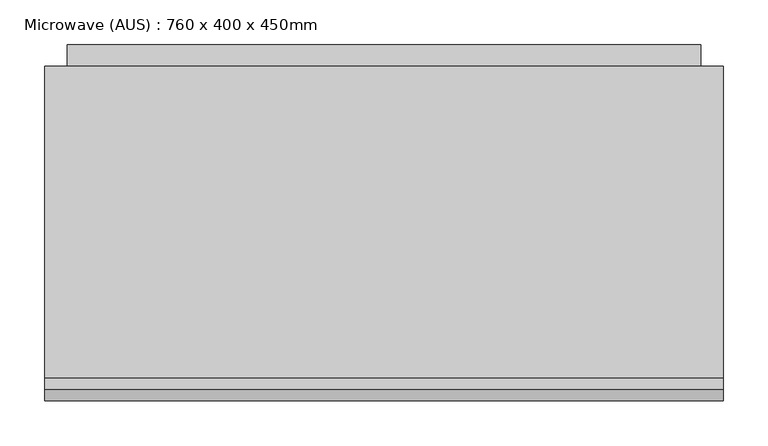
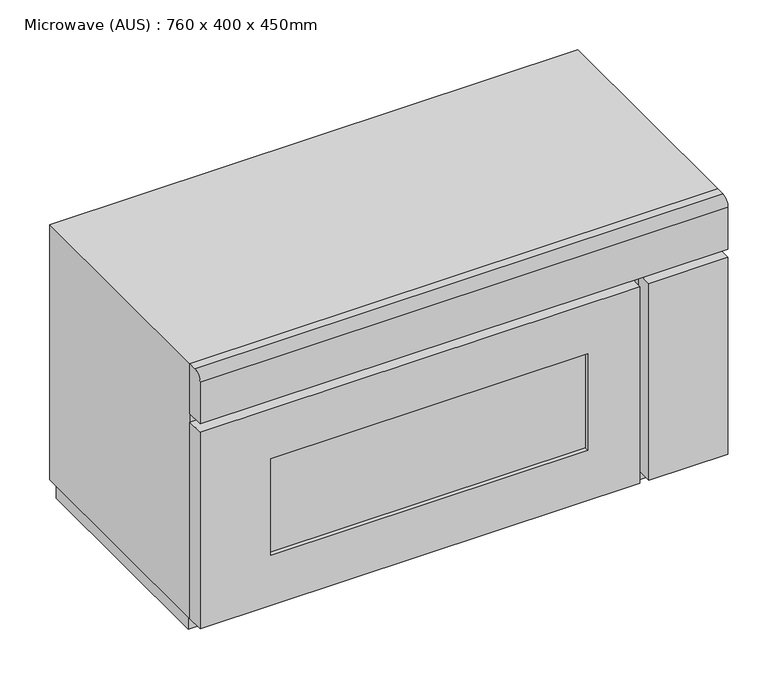
"""IFC4 building model written with IfcOpenShell, lengths in millimetres: proxy geometry, Microwave (AUS) : 760 x 400 x 450mm."""

from ifc_helpers import new_model, si_unit, point, frame, frame_2d, origin, place, context, project, spatial, polyline, circle_curve, trimmed, segment, composite_curve, outline, extrude, faceted_brep, source, transform, mapped, element, save


def microwave_aus_760_x_400_x_450mm_5bfa0a8f(model_context):
    return source(origin(), model_context, "Body", "SolidModel", [
        extrude(outline(polyline([(678.4897523, -546.7305058), (221.8928773, -546.7305058), (221.8928773, -540.3805058), (678.4897523, -540.3805058), (678.4897523, -546.7305058)])), frame((0.0, 0.0, 1022.35), z_axis=(0.0, 0.0, 1.0), x_axis=(1.0, 0.0, 0.0)), (0.0, 0.0, 1.0), 146.95),
        extrude(outline(polyline([(1245.5, 753.6897523), (1245.5, 120.2928773), (946.15, 120.2928773), (946.15, 753.6897523), (1245.5, 753.6897523)]), holes=[polyline([(1169.3, 678.4897523), (1022.35, 678.4897523), (1022.35, 221.8928773), (1169.3, 221.8928773), (1169.3, 678.4897523)])]), frame((0.0, -553.0805058, 0.0), z_axis=(0.0, 1.0, 0.0), x_axis=(0.0, 0.0, 1.0)), (0.0, 0.0, 1.0), 25.4),
        extrude(outline(polyline([(880.2928773, -553.0805058), (766.3897523, -553.0805058), (766.3897523, -527.6805058), (880.2928773, -527.6805058), (880.2928773, -553.0805058)])), frame((0.0, 0.0, 946.15), z_axis=(0.0, 0.0, 1.0), x_axis=(1.0, 0.0, 0.0)), (0.0, 0.0, 1.0), 299.35),
        extrude(outline(composite_curve([segment(polyline([(-540.3805058, 1334.4), (-527.6805058, 1334.4), (-527.6805058, 1258.2), (-553.0805058, 1258.2), (-553.0805058, 1321.7)]), True, "CONTINUOUS"), segment(trimmed(circle_curve(frame_2d((-540.3805058, 1321.7)), 12.7), [point((-553.0805058, 1321.7))], [point((-540.3805058, 1334.4))], False, "CARTESIAN"), True, "CONTINUOUS")], self_intersect=False)), frame((120.2928773, 0.0, 0.0), z_axis=(1.0, 0.0, 0.0), x_axis=(0.0, 1.0, 0.0)), (0.0, 0.0, 1.0), 760.0),
        extrude(outline(polyline([(-154.2441495, 1309.0), (-154.2441495, 961.946551), (-179.6441495, 936.546551), (-179.6441495, 1309.0), (-154.2441495, 1309.0)])), frame((145.6928773, 0.0, 0.0), z_axis=(1.0, 0.0, 0.0), x_axis=(0.0, 1.0, 0.0)), (0.0, 0.0, 1.0), 709.2),
        faceted_brep([(880.2928773, -178.4805058, 1334.4), (120.2928773, -178.4805058, 1334.4), (120.2928773, -527.6805058, 1334.4), (880.2928773, -527.6805058, 1334.4), (880.2928773, -178.4805058, 946.15), (880.2928773, -527.6805058, 946.15), (120.2928773, -527.6805058, 946.15), (120.2928773, -178.4805058, 946.15), (823.5397523, -527.6805058, 1271.0014904), (823.5397523, -527.6805058, 1020.1764904), (177.0460023, -527.6805058, 1020.1764904), (177.0460023, -527.6805058, 1271.0014904), (823.5397523, -197.4805058, 1271.0014904), (177.0460023, -197.4805058, 1271.0014904), (177.0460023, -197.4805058, 1020.1764904), (823.5397523, -197.4805058, 1020.1764904)], [[[0, 1, 2, 3]], [[4, 5, 6, 7]], [[1, 0, 4, 7]], [[2, 1, 7, 6]], [[3, 2, 6, 5], [8, 9, 10, 11]], [[0, 3, 5, 4]], [[12, 13, 14, 15]], [[12, 15, 9, 8]], [[15, 14, 10, 9]], [[14, 13, 11, 10]], [[13, 12, 8, 11]]]),
        extrude(outline(polyline([(870.7678773, -178.4805058), (870.7678773, -507.0430058), (129.8178773, -507.0430058), (129.8178773, -178.4805058), (870.7678773, -178.4805058)])), frame((0.0, 0.0, 914.4), z_axis=(0.0, 0.0, 1.0), x_axis=(1.0, 0.0, 0.0)), (0.0, 0.0, 1.0), 31.75),
    ])


if __name__ == "__main__":
    model = new_model("IFC4")
    model_context = context("Model", 3, world=origin())
    ifc_project = project(units=[si_unit("LENGTHUNIT", "METRE", prefix="MILLI")], contexts=[model_context])
    site = spatial("IfcSite", under=ifc_project)
    building = spatial("IfcBuilding", under=site)
    placement = place(None, origin())
    microwave_aus_760_x_400_x_450mm_shape = microwave_aus_760_x_400_x_450mm_5bfa0a8f(model_context)
    element("IfcBuildingElementProxy", 1, Name="Microwave (AUS) : 760 x 400 x 450mm", ObjectType="Microwave (AUS) : 760 x 400 x 450mm", at=placement, inside=building, context=model_context, shape_type="MappedRepresentation", body=[
        mapped(microwave_aus_760_x_400_x_450mm_shape, transform((0.0, 0.0, 0.0), x_axis=(1.0, 0.0, 0.0), y_axis=(0.0, 1.0, 0.0), z_axis=(0.0, 0.0, 1.0))),
    ])
    save(model, "model.ifc")
